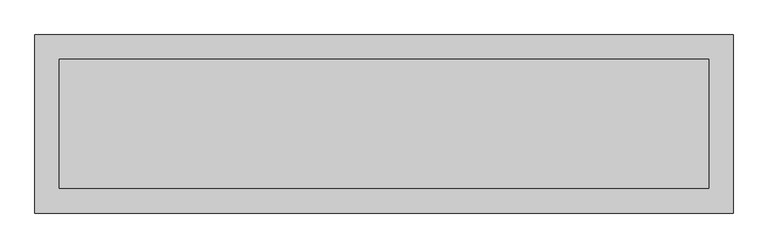
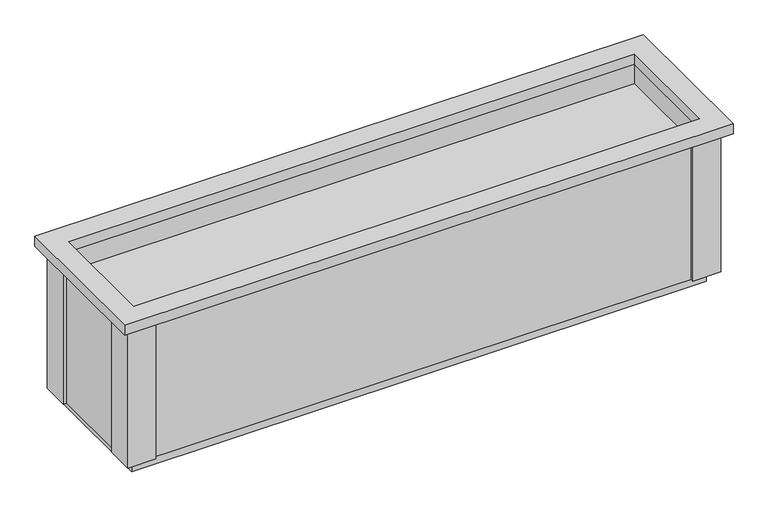
"""IFC4 building model written with IfcOpenShell, lengths in millimetres: geographic element geometry."""

from ifc_helpers import new_model, si_unit, frame, origin, origin_with_axes, place, context, project, spatial, polyline, outline, extrude, source, transform, mapped, element, save


def geographic_element_3ac526e7(model_context):
    return source(origin(), model_context, "Body", "SweptSolid", [
        extrude(outline(polyline([(-830.0, -180.0), (-830.0, -190.0), (-920.0, -190.0), (-920.0, -100.0), (-910.0, -100.0), (-910.0, -180.0), (-830.0, -180.0)])), frame((0.0, 0.0, 40.0), z_axis=(0.0, 0.0, 1.0), x_axis=(1.0, 0.0, 0.0)), (0.0, 0.0, 1.0), 476.0),
        extrude(outline(polyline([(900.0, 250.0), (900.0, 260.0), (990.0, 260.0), (990.0, 170.0), (980.0, 170.0), (980.0, 250.0), (900.0, 250.0)])), frame((0.0, 0.0, 40.0), z_axis=(0.0, 0.0, 1.0), x_axis=(1.0, 0.0, 0.0)), (0.0, 0.0, 1.0), 476.0),
        extrude(outline(polyline([(900.0, -180.0), (980.0, -180.0), (980.0, -100.0), (990.0, -100.0), (990.0, -190.0), (900.0, -190.0), (900.0, -180.0)])), frame((0.0, 0.0, 40.0), z_axis=(0.0, 0.0, 1.0), x_axis=(1.0, 0.0, 0.0)), (0.0, 0.0, 1.0), 476.0),
        extrude(outline(polyline([(-830.0, 250.0), (-910.0, 250.0), (-910.0, 170.0), (-920.0, 170.0), (-920.0, 260.0), (-830.0, 260.0), (-830.0, 250.0)])), frame((0.0, 0.0, 40.0), z_axis=(0.0, 0.0, 1.0), x_axis=(1.0, 0.0, 0.0)), (0.0, 0.0, 1.0), 476.0),
        extrude(outline(polyline([(946.0, 216.0), (946.0, -146.0), (-876.0, -146.0), (-876.0, 216.0), (946.0, 216.0)])), frame((0.0, 0.0, 40.0), z_axis=(0.0, 0.0, 1.0), x_axis=(1.0, 0.0, 0.0)), (0.0, 0.0, 1.0), 410.0),
        extrude(outline(polyline([(1015.0, 285.0), (1015.0, -215.0), (-945.0, -215.0), (-945.0, 285.0), (1015.0, 285.0)]), holes=[polyline([(946.0, 216.0), (-876.0, 216.0), (-876.0, -146.0), (946.0, -146.0), (946.0, 216.0)])]), frame((0.0, 0.0, 516.0), z_axis=(0.0, 0.0, 1.0), x_axis=(1.0, 0.0, 0.0)), (0.0, 0.0, 1.0), 34.0),
        extrude(outline(polyline([(980.0, 250.0), (980.0, -180.0), (-910.0, -180.0), (-910.0, 250.0), (980.0, 250.0)]), holes=[polyline([(-876.0, 216.0), (-876.0, -146.0), (946.0, -146.0), (946.0, 216.0), (-876.0, 216.0)])]), frame((0.0, 0.0, 40.0), z_axis=(0.0, 0.0, 1.0), x_axis=(1.0, 0.0, 0.0)), (0.0, 0.0, 1.0), 476.0),
        extrude(outline(polyline([(960.0, 230.0), (960.0, -160.0), (-890.0, -160.0), (-890.0, 230.0), (960.0, 230.0)])), origin_with_axes(), (0.0, 0.0, 1.0), 40.0),
    ])


if __name__ == "__main__":
    model = new_model("IFC4")
    model_context = context("Model", 3, world=origin())
    ifc_project = project(units=[si_unit("LENGTHUNIT", "METRE", prefix="MILLI")], contexts=[model_context])
    site = spatial("IfcSite", under=ifc_project)
    building = spatial("IfcBuilding", under=site)
    placement = place(None, origin())
    geographic_element_shape = geographic_element_3ac526e7(model_context)
    element("IfcGeographicElement", 1, at=placement, inside=building, context=model_context, shape_type="MappedRepresentation", body=[
        mapped(geographic_element_shape, transform((0.0, 0.0, 0.0), x_axis=(1.0, 0.0, 0.0), y_axis=(0.0, 1.0, 0.0), z_axis=(0.0, 0.0, 1.0))),
    ])
    save(model, "model.ifc")
